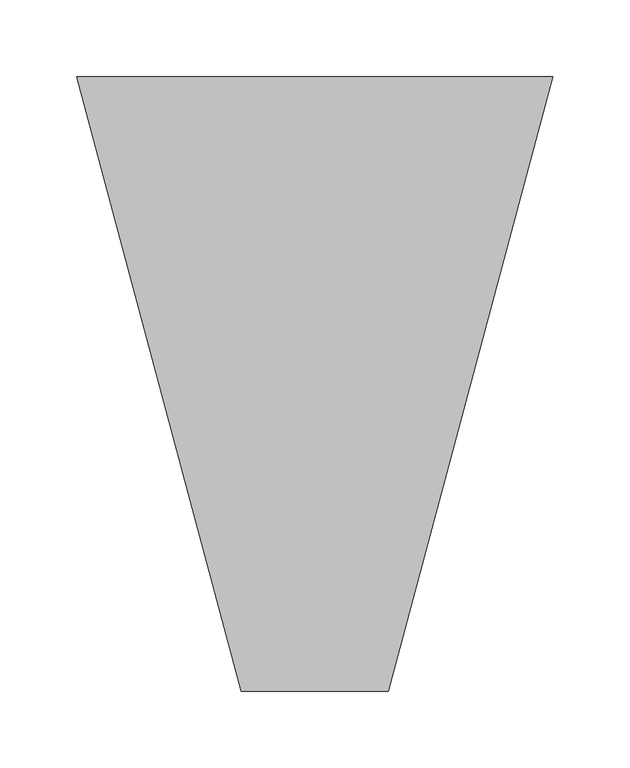
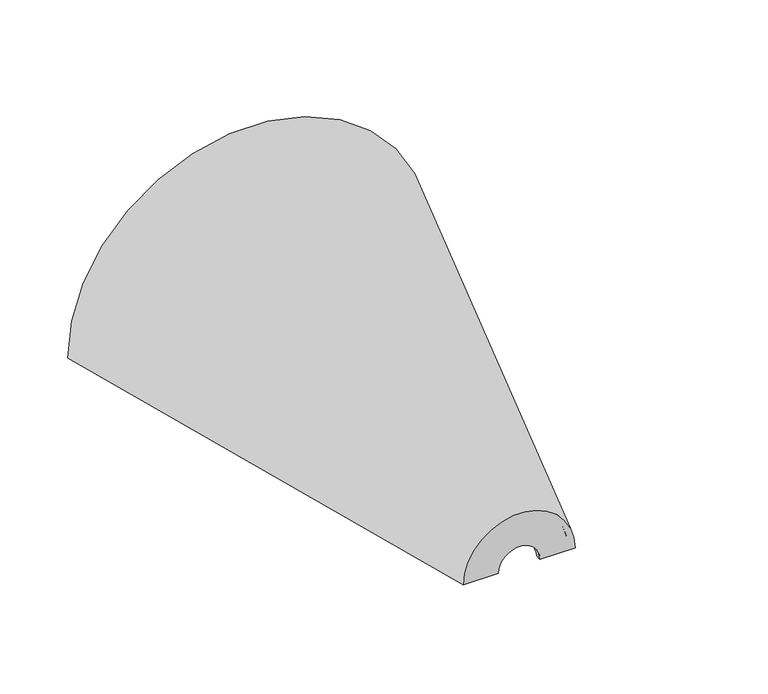
"""IFC4 building model written with IfcOpenShell, lengths in millimetres: light fixture geometry."""

from ifc_helpers import new_model, si_unit, frame, origin, place, context, project, spatial, polyline, circle_curve, source, transform, mapped, element, save
from ifc_brep_helpers import plane_surface, revolved_surface, advanced_brep


def light_fixture_61f0dded(model_context):
    return source(origin(), model_context, "Body", "AdvancedBrep", [
        advanced_brep(
        [(-155.0, 400.0, 0.0), (-149.8236191, 400.0, 0.0), (-43.9836881, 5.0, 0.0), (-17.820323, 5.0, 0.0), (-17.820323, 0.0, 0.0), (-47.820323, 0.0, 0.0), (155.0, 400.0, 0.0), (47.820323, 0.0, 0.0), (17.820323, 0.0, 0.0), (17.820323, 5.0, 0.0), (43.9836881, 5.0, 0.0), (149.8236191, 400.0, 0.0)],
        [
            (0, 1),
            (1, 2),
            (2, 3),
            (3, 4),
            (4, 5),
            (5, 0),
            (6, 7),
            (7, 8),
            (8, 9),
            (9, 10),
            (10, 11),
            (11, 6),
            (6, 0, circle_curve(frame((0.0, 400.0, 0.0), z_axis=(0.0, -1.0, 0.0), x_axis=(-1.0, 0.0, 0.0)), 155.0)),
            (5, 7, circle_curve(frame((0.0, 0.0, 0.0), z_axis=(0.0, 1.0, 0.0), x_axis=(-1.0, 0.0, 0.0)), 47.820323)),
            (4, 8, circle_curve(frame((0.0, 0.0, 0.0), z_axis=(0.0, 1.0, 0.0), x_axis=(-1.0, 0.0, 0.0)), 17.820323)),
            (3, 9, circle_curve(frame((0.0, 5.0, 0.0), z_axis=(0.0, 1.0, 0.0), x_axis=(-1.0, 0.0, 0.0)), 17.820323)),
            (2, 10, circle_curve(frame((0.0, 5.0, 0.0), z_axis=(0.0, 1.0, 0.0), x_axis=(-1.0, 0.0, 0.0)), 43.9836881)),
            (1, 11, circle_curve(frame((0.0, 400.0, 0.0), z_axis=(0.0, 1.0, 0.0), x_axis=(-1.0, 0.0, 0.0)), 149.8236191)),
        ],
        [
            plane_surface(frame((0.0, 1524.0, 0.0), z_axis=(0.0, 0.0, -1.0), x_axis=(-1.0, 0.0, 0.0))),
            plane_surface(frame((0.0, 1524.0, 0.0), z_axis=(0.0, 0.0, -1.0), x_axis=(1.0, 0.0, 0.0))),
            revolved_surface(polyline([(-155.0, 400.0, 0.0), (-47.820323, 0.0, 0.0)]), (0.0, 1524.0, 0.0), (0.0, -1.0, 0.0)),
            plane_surface(frame((0.0, 0.0, 0.0), z_axis=(0.0, -1.0, 0.0), x_axis=(-1.0, 0.0, 0.0))),
            revolved_surface(polyline([(-17.820323, 0.0, 0.0), (-17.820323, 5.0, 0.0)]), (0.0, 1524.0, 0.0), (0.0, -1.0, 0.0)),
            plane_surface(frame((0.0, 5.0, 0.0), z_axis=(0.0, 1.0, 0.0), x_axis=(-1.0, 0.0, 0.0))),
            revolved_surface(polyline([(-43.9836881, 5.0, 0.0), (-149.8236191, 400.0, 0.0)]), (0.0, 1524.0, 0.0), (0.0, -1.0, 0.0)),
            plane_surface(frame((0.0, 400.0, 0.0), z_axis=(0.0, 1.0, 0.0), x_axis=(-1.0, 0.0, 0.0))),
        ],
        [
            (0, [[1, 2, 3, 4, 5, 6]]),
            (1, [[7, 8, 9, 10, 11, 12]]),
            (2, [[13, -6, 14, -7]]),
            (3, [[-14, -5, 15, -8]]),
            (4, [[-15, -4, 16, -9]]),
            (5, [[-16, -3, 17, -10]]),
            (6, [[-17, -2, 18, -11]]),
            (7, [[-18, -1, -13, -12]]),
        ],
    ),
    ])


if __name__ == "__main__":
    model = new_model("IFC4")
    model_context = context("Model", 3, world=origin())
    ifc_project = project(units=[si_unit("LENGTHUNIT", "METRE", prefix="MILLI")], contexts=[model_context])
    site = spatial("IfcSite", under=ifc_project)
    building = spatial("IfcBuilding", under=site)
    placement = place(None, origin())
    light_fixture_shape = light_fixture_61f0dded(model_context)
    element("IfcLightFixture", 1, at=placement, inside=building, context=model_context, shape_type="MappedRepresentation", body=[
        mapped(light_fixture_shape, transform((0.0, 0.0, 0.0), x_axis=(1.0, 0.0, 0.0), y_axis=(0.0, 1.0, 0.0), z_axis=(0.0, 0.0, 1.0))),
    ])
    save(model, "model.ifc")
